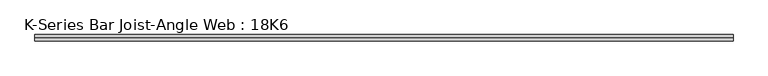
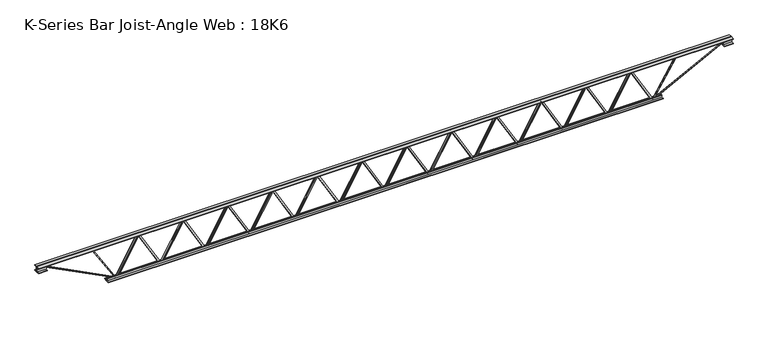
"""IFC4 building model written with IfcOpenShell, lengths in millimetres: beam geometry, K-Series Bar Joist-Angle Web : 18K6."""

import ifcopenshell
import ifcopenshell.guid

model = None  # the IFC model being written
_history = None  # IfcOwnerHistory: only IFC2X3 demands one
_inside = {}  # id of a spatial element -> (the spatial element, [elements in it])
_under = {}  # id of a project, library or spatial element -> (it, [spatial elements below it])
_declared = {}  # id of a project -> (the project, [libraries it declares])
_typed = {}  # id of a type object -> (the type object, [elements of that type])
_made_of = {}  # id of a material, layer set ... -> (it, [elements and type objects made of it])


def new_model(schema):
    """Start an empty IFC model of exactly this schema.

    Asked for "IFC4X3", IfcOpenShell would pick the latest addendum, in which some entities
    have other attributes; the version numbers below select the first issue.
    IFC2X3 requires an IfcOwnerHistory on every rooted entity: one is made here for all.
    """
    global model, _history
    if schema == "IFC4X3":
        model = ifcopenshell.file(schema_version=(4, 3, 0, 0))
    else:
        model = ifcopenshell.file(schema=schema)
    _inside.clear()
    _under.clear()
    _declared.clear()
    _typed.clear()
    _made_of.clear()
    _history = None
    if model.schema == "IFC2X3":
        org = make("IfcOrganization", Name="unknown")
        user = make(
            "IfcPersonAndOrganization",
            ThePerson=make("IfcPerson", FamilyName="unknown"),
            TheOrganization=org,
        )
        app = make(
            "IfcApplication",
            ApplicationDeveloper=org,
            Version="unknown",
            ApplicationFullName="unknown",
            ApplicationIdentifier="unknown",
        )
        _history = make(
            "IfcOwnerHistory",
            OwningUser=user,
            OwningApplication=app,
            ChangeAction="ADDED",
            CreationDate=0,
        )
    return model


def make(cls, **values):
    """One entity of the class cls with the attributes given. An attribute that is None is left unset."""
    return model.create_entity(
        cls, **{name: value for name, value in values.items() if value is not None}
    )


def rooted(cls, **values):
    """An entity with a GlobalId (a new one), such as an element, a storey or a relation."""
    return make(cls, GlobalId=ifcopenshell.guid.new(), OwnerHistory=_history, **values)


def si_unit(unit_type, name, prefix=None):
    """IfcSIUnit, for example si_unit("LENGTHUNIT", "METRE", prefix="MILLI")."""
    return make("IfcSIUnit", UnitType=unit_type, Prefix=prefix, Name=name)


def assignment(units):
    """IfcUnitAssignment: the units of a project."""
    return None if units is None else make("IfcUnitAssignment", Units=units)


def point(xyz):
    """IfcCartesianPoint."""
    return None if xyz is None else make("IfcCartesianPoint", Coordinates=xyz)


def direction(xyz):
    """IfcDirection."""
    return None if xyz is None else make("IfcDirection", DirectionRatios=xyz)


def frame(location, z_axis=None, x_axis=None):
    """IfcAxis2Placement3D, a coordinate frame: its origin and axes. An axis left out is left unset."""
    return make(
        "IfcAxis2Placement3D",
        Location=point(location),
        Axis=direction(z_axis),
        RefDirection=direction(x_axis),
    )


def origin():
    """The frame at (0, 0, 0) with its axes left unset."""
    return frame((0.0, 0.0, 0.0))


def place(relative_to, where):
    """IfcLocalPlacement: puts the frame where relative to a parent placement (None: the world)."""
    return make(
        "IfcLocalPlacement", PlacementRelTo=relative_to, RelativePlacement=where
    )


def context(
    kind, dimensions, precision=None, world=None, true_north=None, identifier=None
):
    """IfcGeometricRepresentationContext, for example the 3D "Model" context."""
    return make(
        "IfcGeometricRepresentationContext",
        ContextIdentifier=identifier,
        ContextType=kind,
        CoordinateSpaceDimension=dimensions,
        Precision=precision,
        WorldCoordinateSystem=world,
        TrueNorth=true_north,
    )


def project(units=None, contexts=None):
    """IfcProject with its units and contexts."""
    return rooted(
        "IfcProject",
        Name="project",
        RepresentationContexts=contexts,
        UnitsInContext=assignment(units),
    )


def spatial(cls, under=None, at=None, **own):
    """A site, building, storey or space (cls), placed at a placement, below another one or the project."""
    s = rooted(cls, ObjectPlacement=at, **own)
    if under is not None:
        _under.setdefault(under.id(), (under, []))[1].append(s)
    return s


def polyline(points):
    """IfcPolyline through the points."""
    return make("IfcPolyline", Points=[point(p) for p in points])


def outline(outer, holes=None, kind="AREA"):
    """IfcArbitraryClosedProfileDef: a profile drawn as a closed curve; with holes, ...WithVoids."""
    if holes is None:
        return make("IfcArbitraryClosedProfileDef", ProfileType=kind, OuterCurve=outer)
    return make(
        "IfcArbitraryProfileDefWithVoids",
        ProfileType=kind,
        OuterCurve=outer,
        InnerCurves=holes,
    )


def extrude(swept, where, along, depth):
    """IfcExtrudedAreaSolid: the profile swept, set in the frame where, extruded along a direction by depth."""
    return make(
        "IfcExtrudedAreaSolid",
        SweptArea=swept,
        Position=where,
        ExtrudedDirection=direction(along),
        Depth=depth,
    )


def faces_of(points, faces, orient=None, outer=None):
    """IfcFace entities. A face is a list of loops; a loop is a list of indices into points, from 0.

    orient and outer hold one flag for each loop. By default every Orientation is true, the
    first loop of a face is its IfcFaceOuterBound and the others are IfcFaceBound.
    """
    made = []
    for i, loops in enumerate(faces):
        bounds = []
        for j, loop in enumerate(loops):
            is_outer = j == 0 if outer is None else outer[i][j]
            bounds.append(
                make(
                    "IfcFaceOuterBound" if is_outer else "IfcFaceBound",
                    Bound=make("IfcPolyLoop", Polygon=[points[k] for k in loop]),
                    Orientation=True if orient is None else orient[i][j],
                )
            )
        made.append(make("IfcFace", Bounds=bounds))
    return made


def faceted_brep(points, faces, orient=None, outer=None, voids=None):
    """IfcFacetedBrep: a solid bounded by flat faces; with voids (closed shells), ...WithVoids."""
    shared = [point(p) for p in points]
    hull = make("IfcClosedShell", CfsFaces=faces_of(shared, faces, orient, outer))
    if voids is None:
        return make("IfcFacetedBrep", Outer=hull)
    return make(
        "IfcFacetedBrepWithVoids",
        Outer=hull,
        Voids=[
            make(cls, CfsFaces=faces_of(shared, fs, o, b)) for cls, fs, o, b in voids
        ],
    )


def shape(context_of_items, identifier, shape_type, items):
    """IfcShapeRepresentation: the items that make up one representation, for example the "Body"."""
    return make(
        "IfcShapeRepresentation",
        ContextOfItems=context_of_items,
        RepresentationIdentifier=identifier,
        RepresentationType=shape_type,
        Items=items,
    )


def source(mapping_origin, context_of_items, identifier, shape_type, items):
    """IfcRepresentationMap: a shape defined once, which mapped items show again and again."""
    return make(
        "IfcRepresentationMap",
        MappingOrigin=mapping_origin,
        MappedRepresentation=shape(context_of_items, identifier, shape_type, items),
    )


def transform(
    local_origin,
    x_axis=None,
    y_axis=None,
    z_axis=None,
    scale=None,
    scale2=None,
    scale3=None,
    uniform=True,
):
    """IfcCartesianTransformationOperator3D, or its non-uniform kind. x_axis, y_axis, z_axis: its Axis1, 2, 3."""
    if uniform:
        return make(
            "IfcCartesianTransformationOperator3D",
            Axis1=direction(x_axis),
            Axis2=direction(y_axis),
            LocalOrigin=point(local_origin),
            Scale=scale,
            Axis3=direction(z_axis),
        )
    return make(
        "IfcCartesianTransformationOperator3DnonUniform",
        Axis1=direction(x_axis),
        Axis2=direction(y_axis),
        LocalOrigin=point(local_origin),
        Scale=scale,
        Axis3=direction(z_axis),
        Scale2=scale2,
        Scale3=scale3,
    )


def mapped(mapping_source, mapping_target):
    """IfcMappedItem: shows the shape of a source again, moved by a transform."""
    return make(
        "IfcMappedItem", MappingSource=mapping_source, MappingTarget=mapping_target
    )


def made_of(thing, what):
    """Note that an element or type object is made of a material, layer set ...; save() writes the relation."""
    if what is not None:
        _made_of.setdefault(what.id(), (what, []))[1].append(thing)
    return thing


def element(
    cls,
    number,
    at=None,
    inside=None,
    cuts=None,
    type_object=None,
    material=None,
    context=None,
    identifier="Body",
    shape_type=None,
    held_by="IfcProductDefinitionShape",
    body=None,
    shapes=None,
    **own,
):
    """One element of the class cls, such as IfcWall. Its Tag is "e" and its number.

    at: its placement. inside: the storey or other place that contains it. cuts: it is an
    opening in that element (IfcRelVoidsElement). A single representation is given by context,
    identifier, shape_type and body (its items); several are given by shapes. held_by: the class
    of the entity that holds the representations. save() writes the other relations.
    """
    e = rooted(cls, Tag="e%d" % number, ObjectPlacement=at, **own)
    if body is not None:
        shapes = [shape(context, identifier, shape_type, body)]
    if shapes is not None:
        e.Representation = make(held_by, Representations=shapes)
    if inside is not None:
        _inside.setdefault(inside.id(), (inside, []))[1].append(e)
    if cuts is not None:
        rooted(
            "IfcRelVoidsElement", RelatingBuildingElement=cuts, RelatedOpeningElement=e
        )
    if type_object is not None:
        _typed.setdefault(type_object.id(), (type_object, []))[1].append(e)
    return made_of(e, material)


def aggregate(whole, parts):
    """IfcRelAggregates: a whole, such as a stair, and the parts it consists of."""
    return rooted("IfcRelAggregates", RelatingObject=whole, RelatedObjects=parts)


def save(model, path):
    """Write the relations noted so far, then the file.

    IfcRelAggregates (storeys below a building ...), IfcRelContainedInSpatialStructure (elements
    in a storey), IfcRelDefinesByType, IfcRelAssociatesMaterial and IfcRelDeclares: one each for
    every whole, place, type object, material and project.
    """
    for whole, parts in _under.values():
        aggregate(whole, parts)
    for where, things in _inside.values():
        rooted(
            "IfcRelContainedInSpatialStructure",
            RelatedElements=things,
            RelatingStructure=where,
        )
    for kind, things in _typed.values():
        rooted("IfcRelDefinesByType", RelatedObjects=things, RelatingType=kind)
    for what, things in _made_of.values():
        rooted("IfcRelAssociatesMaterial", RelatedObjects=things, RelatingMaterial=what)
    for by, libraries in _declared.values():
        rooted("IfcRelDeclares", RelatingContext=by, RelatedDefinitions=libraries)
    model.write(path)


def k_series_bar_joist_angle_web_18k6_3c0e9ca1(model_context):
    return source(origin(), model_context, "Body", "SolidModel", [
        extrude(outline(polyline([(-4.7625, 4.7625), (-4.7625, 0.0), (-17.4625, 0.0), (-17.4625, 4.7625), (-4.7625, 4.7625)])), frame((2569.6314568, 0.0, -190.5), z_axis=(-0.49721205379434447, 0.0, 0.8676290529722999), x_axis=(0.0, -1.0, 0.0)), (0.0, 0.0, 1.0), 439.1277571),
        extrude(outline(polyline([(-225.425, 2601.515625), (-206.375, 2601.515625), (-206.375, 2600.6853286), (225.425, 2353.2337661), (225.425, 2335.0140625), (206.375, 2335.0140625), (206.375, 2342.1943589), (-225.425, 2589.6459214), (-225.425, 2601.515625)])), frame((0.0, 0.0, 0.0), z_axis=(0.0, 1.0, 0.0), x_axis=(0.0, 0.0, 1.0)), (0.0, 0.0, 1.0), 4.7625),
        faceted_brep([(2081.2125, 0.0, -206.375), (2081.2125, 0.0, -225.425), (2081.2125, -4.7625, -225.425), (2081.2125, -4.7625, -206.375), (2082.0427964, 0.0, -206.375), (2329.4943589, 0.0, 225.425), (2347.7140625, 0.0, 225.425), (2347.7140625, 0.0, 206.375), (2340.5337661, 0.0, 206.375), (2093.0822036, 0.0, -225.425), (2093.0822036, -4.7625, -225.425), (2113.0966682, -4.7625, -190.5), (2108.9645848, -4.7625, -188.1320276), (2327.3041988, -4.7625, 192.8679724), (2331.4362822, -4.7625, 190.5), (2340.5337661, -4.7625, 206.375), (2347.7140625, -4.7625, 206.375), (2347.7140625, -4.7625, 225.425), (2329.4943589, -4.7625, 225.425), (2082.0427964, -4.7625, -206.375), (2331.4362822, -17.4625, 190.5), (2113.0966682, -17.4625, -190.5), (2108.9645848, -17.4625, -188.1320276), (2327.3041988, -17.4625, 192.8679724)], [[[0, 1, 2, 3]], [[1, 0, 4, 5, 6, 7, 8, 9]], [[2, 1, 9, 10]], [[3, 2, 10, 11, 12, 13, 14, 15, 16, 17, 18, 19]], [[0, 3, 19, 4]], [[9, 8, 15, 14, 20, 21, 11, 10]], [[5, 4, 19, 18]], [[7, 6, 17, 16]], [[8, 7, 16, 15]], [[6, 5, 18, 17]], [[21, 22, 12, 11]], [[20, 14, 13, 23]], [[22, 21, 20, 23]], [[12, 22, 23, 13]]]),
        extrude(outline(polyline([(-4.7625, 4.7625), (-4.7625, 0.0), (-17.4625, 0.0), (-17.4625, 4.7625), (-4.7625, 4.7625)])), frame((2049.3283318, 0.0, -190.5), z_axis=(-0.49721205379434447, 0.0, 0.8676290529722999), x_axis=(0.0, -1.0, 0.0)), (0.0, 0.0, 1.0), 439.1277571),
        extrude(outline(polyline([(-225.425, 2081.2125), (-206.375, 2081.2125), (-206.375, 2080.3822036), (225.425, 1832.9306411), (225.425, 1814.7109375), (206.375, 1814.7109375), (206.375, 1821.8912339), (-225.425, 2069.3427964), (-225.425, 2081.2125)])), frame((0.0, 0.0, 0.0), z_axis=(0.0, 1.0, 0.0), x_axis=(0.0, 0.0, 1.0)), (0.0, 0.0, 1.0), 4.7625),
        faceted_brep([(1560.909375, 0.0, -206.375), (1560.909375, 0.0, -225.425), (1560.909375, -4.7625, -225.425), (1560.909375, -4.7625, -206.375), (1561.7396714, 0.0, -206.375), (1809.1912339, 0.0, 225.425), (1827.4109375, 0.0, 225.425), (1827.4109375, 0.0, 206.375), (1820.2306411, 0.0, 206.375), (1572.7790786, 0.0, -225.425), (1572.7790786, -4.7625, -225.425), (1592.7935432, -4.7625, -190.5), (1588.6614598, -4.7625, -188.1320276), (1807.0010738, -4.7625, 192.8679724), (1811.1331572, -4.7625, 190.5), (1820.2306411, -4.7625, 206.375), (1827.4109375, -4.7625, 206.375), (1827.4109375, -4.7625, 225.425), (1809.1912339, -4.7625, 225.425), (1561.7396714, -4.7625, -206.375), (1811.1331572, -17.4625, 190.5), (1592.7935432, -17.4625, -190.5), (1588.6614598, -17.4625, -188.1320276), (1807.0010738, -17.4625, 192.8679724)], [[[0, 1, 2, 3]], [[1, 0, 4, 5, 6, 7, 8, 9]], [[2, 1, 9, 10]], [[3, 2, 10, 11, 12, 13, 14, 15, 16, 17, 18, 19]], [[0, 3, 19, 4]], [[9, 8, 15, 14, 20, 21, 11, 10]], [[5, 4, 19, 18]], [[7, 6, 17, 16]], [[8, 7, 16, 15]], [[6, 5, 18, 17]], [[21, 22, 12, 11]], [[20, 14, 13, 23]], [[22, 21, 20, 23]], [[12, 22, 23, 13]]]),
        extrude(outline(polyline([(-4.7625, 4.7625), (-4.7625, 0.0), (-17.4625, 0.0), (-17.4625, 4.7625), (-4.7625, 4.7625)])), frame((1529.0252068, 0.0, -190.5), z_axis=(-0.49721205379434447, 0.0, 0.8676290529722999), x_axis=(0.0, -1.0, 0.0)), (0.0, 0.0, 1.0), 439.1277571),
        extrude(outline(polyline([(-225.425, 1560.909375), (-206.375, 1560.909375), (-206.375, 1560.0790786), (225.425, 1312.6275161), (225.425, 1294.4078125), (206.375, 1294.4078125), (206.375, 1301.5881089), (-225.425, 1549.0396714), (-225.425, 1560.909375)])), frame((0.0, 0.0, 0.0), z_axis=(0.0, 1.0, 0.0), x_axis=(0.0, 0.0, 1.0)), (0.0, 0.0, 1.0), 4.7625),
        faceted_brep([(1040.60625, 0.0, -206.375), (1040.60625, 0.0, -225.425), (1040.60625, -4.7625, -225.425), (1040.60625, -4.7625, -206.375), (1041.4365464, 0.0, -206.375), (1288.8881089, 0.0, 225.425), (1307.1078125, 0.0, 225.425), (1307.1078125, 0.0, 206.375), (1299.9275161, 0.0, 206.375), (1052.4759536, 0.0, -225.425), (1052.4759536, -4.7625, -225.425), (1072.4904182, -4.7625, -190.5), (1068.3583348, -4.7625, -188.1320276), (1286.6979488, -4.7625, 192.8679724), (1290.8300322, -4.7625, 190.5), (1299.9275161, -4.7625, 206.375), (1307.1078125, -4.7625, 206.375), (1307.1078125, -4.7625, 225.425), (1288.8881089, -4.7625, 225.425), (1041.4365464, -4.7625, -206.375), (1290.8300322, -17.4625, 190.5), (1072.4904182, -17.4625, -190.5), (1068.3583348, -17.4625, -188.1320276), (1286.6979488, -17.4625, 192.8679724)], [[[0, 1, 2, 3]], [[1, 0, 4, 5, 6, 7, 8, 9]], [[2, 1, 9, 10]], [[3, 2, 10, 11, 12, 13, 14, 15, 16, 17, 18, 19]], [[0, 3, 19, 4]], [[9, 8, 15, 14, 20, 21, 11, 10]], [[5, 4, 19, 18]], [[7, 6, 17, 16]], [[8, 7, 16, 15]], [[6, 5, 18, 17]], [[21, 22, 12, 11]], [[20, 14, 13, 23]], [[22, 21, 20, 23]], [[12, 22, 23, 13]]]),
        extrude(outline(polyline([(-4.7625, 4.7625), (-4.7625, 0.0), (-17.4625, 0.0), (-17.4625, 4.7625), (-4.7625, 4.7625)])), frame((1008.7220818, 0.0, -190.5), z_axis=(-0.49721205379434447, 0.0, 0.8676290529722999), x_axis=(0.0, -1.0, 0.0)), (0.0, 0.0, 1.0), 439.1277571),
        extrude(outline(polyline([(-225.425, 1040.60625), (-206.375, 1040.60625), (-206.375, 1039.7759536), (225.425, 792.3243911), (225.425, 774.1046875), (206.375, 774.1046875), (206.375, 781.2849839), (-225.425, 1028.7365464), (-225.425, 1040.60625)])), frame((0.0, 0.0, 0.0), z_axis=(0.0, 1.0, 0.0), x_axis=(0.0, 0.0, 1.0)), (0.0, 0.0, 1.0), 4.7625),
        faceted_brep([(520.303125, 0.0, -206.375), (520.303125, 0.0, -225.425), (520.303125, -4.7625, -225.425), (520.303125, -4.7625, -206.375), (521.1334214, 0.0, -206.375), (768.5849839, 0.0, 225.425), (786.8046875, 0.0, 225.425), (786.8046875, 0.0, 206.375), (779.6243911, 0.0, 206.375), (532.1728286, 0.0, -225.425), (532.1728286, -4.7625, -225.425), (552.1872932, -4.7625, -190.5), (548.0552098, -4.7625, -188.1320276), (766.3948238, -4.7625, 192.8679724), (770.5269072, -4.7625, 190.5), (779.6243911, -4.7625, 206.375), (786.8046875, -4.7625, 206.375), (786.8046875, -4.7625, 225.425), (768.5849839, -4.7625, 225.425), (521.1334214, -4.7625, -206.375), (770.5269072, -17.4625, 190.5), (552.1872932, -17.4625, -190.5), (548.0552098, -17.4625, -188.1320276), (766.3948238, -17.4625, 192.8679724)], [[[0, 1, 2, 3]], [[1, 0, 4, 5, 6, 7, 8, 9]], [[2, 1, 9, 10]], [[3, 2, 10, 11, 12, 13, 14, 15, 16, 17, 18, 19]], [[0, 3, 19, 4]], [[9, 8, 15, 14, 20, 21, 11, 10]], [[5, 4, 19, 18]], [[7, 6, 17, 16]], [[8, 7, 16, 15]], [[6, 5, 18, 17]], [[21, 22, 12, 11]], [[20, 14, 13, 23]], [[22, 21, 20, 23]], [[12, 22, 23, 13]]]),
        extrude(outline(polyline([(-4.7625, 4.7625), (-4.7625, 0.0), (-17.4625, 0.0), (-17.4625, 4.7625), (-4.7625, 4.7625)])), frame((488.4189568, 0.0, -190.5), z_axis=(-0.49721205379434447, 0.0, 0.8676290529722999), x_axis=(0.0, -1.0, 0.0)), (0.0, 0.0, 1.0), 439.1277571),
        extrude(outline(polyline([(-225.425, 520.303125), (-206.375, 520.303125), (-206.375, 519.4728286), (225.425, 272.0212661), (225.425, 253.8015625), (206.375, 253.8015625), (206.375, 260.9818589), (-225.425, 508.4334214), (-225.425, 520.303125)])), frame((0.0, 0.0, 0.0), z_axis=(0.0, 1.0, 0.0), x_axis=(0.0, 0.0, 1.0)), (0.0, 0.0, 1.0), 4.7625),
        faceted_brep([(0.0, 0.0, -206.375), (0.0, 0.0, -225.425), (0.0, -4.7625, -225.425), (0.0, -4.7625, -206.375), (0.8302964, 0.0, -206.375), (248.2818589, 0.0, 225.425), (266.5015625, 0.0, 225.425), (266.5015625, 0.0, 206.375), (259.3212661, 0.0, 206.375), (11.8697036, 0.0, -225.425), (11.8697036, -4.7625, -225.425), (31.8841682, -4.7625, -190.5), (27.7520848, -4.7625, -188.1320276), (246.0916988, -4.7625, 192.8679724), (250.2237822, -4.7625, 190.5), (259.3212661, -4.7625, 206.375), (266.5015625, -4.7625, 206.375), (266.5015625, -4.7625, 225.425), (248.2818589, -4.7625, 225.425), (0.8302964, -4.7625, -206.375), (250.2237822, -17.4625, 190.5), (31.8841682, -17.4625, -190.5), (27.7520848, -17.4625, -188.1320276), (246.0916988, -17.4625, 192.8679724)], [[[0, 1, 2, 3]], [[1, 0, 4, 5, 6, 7, 8, 9]], [[2, 1, 9, 10]], [[3, 2, 10, 11, 12, 13, 14, 15, 16, 17, 18, 19]], [[0, 3, 19, 4]], [[9, 8, 15, 14, 20, 21, 11, 10]], [[5, 4, 19, 18]], [[7, 6, 17, 16]], [[8, 7, 16, 15]], [[6, 5, 18, 17]], [[21, 22, 12, 11]], [[20, 14, 13, 23]], [[22, 21, 20, 23]], [[12, 22, 23, 13]]]),
        extrude(outline(polyline([(-4.7625, 4.7625), (-4.7625, 0.0), (-17.4625, 0.0), (-17.4625, 4.7625), (-4.7625, 4.7625)])), frame((-31.8841682, 0.0, -190.5), z_axis=(-0.49721205379434447, 0.0, 0.8676290529722999), x_axis=(0.0, -1.0, 0.0)), (0.0, 0.0, 1.0), 439.1277571),
        extrude(outline(polyline([(-225.425, 0.0), (-206.375, 0.0), (-206.375, -0.8302964), (225.425, -248.2818589), (225.425, -266.5015625), (206.375, -266.5015625), (206.375, -259.3212661), (-225.425, -11.8697036), (-225.425, 0.0)])), frame((0.0, 0.0, 0.0), z_axis=(0.0, 1.0, 0.0), x_axis=(0.0, 0.0, 1.0)), (0.0, 0.0, 1.0), 4.7625),
        faceted_brep([(-520.303125, 0.0, -206.375), (-520.303125, 0.0, -225.425), (-520.303125, -4.7625, -225.425), (-520.303125, -4.7625, -206.375), (-519.4728286, 0.0, -206.375), (-272.0212661, 0.0, 225.425), (-253.8015625, 0.0, 225.425), (-253.8015625, 0.0, 206.375), (-260.9818589, 0.0, 206.375), (-508.4334214, 0.0, -225.425), (-508.4334214, -4.7625, -225.425), (-488.4189568, -4.7625, -190.5), (-492.5510402, -4.7625, -188.1320276), (-274.2114262, -4.7625, 192.8679724), (-270.0793428, -4.7625, 190.5), (-260.9818589, -4.7625, 206.375), (-253.8015625, -4.7625, 206.375), (-253.8015625, -4.7625, 225.425), (-272.0212661, -4.7625, 225.425), (-519.4728286, -4.7625, -206.375), (-270.0793428, -17.4625, 190.5), (-488.4189568, -17.4625, -190.5), (-492.5510402, -17.4625, -188.1320276), (-274.2114262, -17.4625, 192.8679724)], [[[0, 1, 2, 3]], [[1, 0, 4, 5, 6, 7, 8, 9]], [[2, 1, 9, 10]], [[3, 2, 10, 11, 12, 13, 14, 15, 16, 17, 18, 19]], [[0, 3, 19, 4]], [[9, 8, 15, 14, 20, 21, 11, 10]], [[5, 4, 19, 18]], [[7, 6, 17, 16]], [[8, 7, 16, 15]], [[6, 5, 18, 17]], [[21, 22, 12, 11]], [[20, 14, 13, 23]], [[22, 21, 20, 23]], [[12, 22, 23, 13]]]),
        extrude(outline(polyline([(-4.7625, 4.7625), (-4.7625, 0.0), (-17.4625, 0.0), (-17.4625, 4.7625), (-4.7625, 4.7625)])), frame((-552.1872932, 0.0, -190.5), z_axis=(-0.49721205379434447, 0.0, 0.8676290529722999), x_axis=(0.0, -1.0, 0.0)), (0.0, 0.0, 1.0), 439.1277571),
        extrude(outline(polyline([(-225.425, -520.303125), (-206.375, -520.303125), (-206.375, -521.1334214), (225.425, -768.5849839), (225.425, -786.8046875), (206.375, -786.8046875), (206.375, -779.6243911), (-225.425, -532.1728286), (-225.425, -520.303125)])), frame((0.0, 0.0, 0.0), z_axis=(0.0, 1.0, 0.0), x_axis=(0.0, 0.0, 1.0)), (0.0, 0.0, 1.0), 4.7625),
        faceted_brep([(-1040.60625, 0.0, -206.375), (-1040.60625, 0.0, -225.425), (-1040.60625, -4.7625, -225.425), (-1040.60625, -4.7625, -206.375), (-1039.7759536, 0.0, -206.375), (-792.3243911, 0.0, 225.425), (-774.1046875, 0.0, 225.425), (-774.1046875, 0.0, 206.375), (-781.2849839, 0.0, 206.375), (-1028.7365464, 0.0, -225.425), (-1028.7365464, -4.7625, -225.425), (-1008.7220818, -4.7625, -190.5), (-1012.8541652, -4.7625, -188.1320276), (-794.5145512, -4.7625, 192.8679724), (-790.3824678, -4.7625, 190.5), (-781.2849839, -4.7625, 206.375), (-774.1046875, -4.7625, 206.375), (-774.1046875, -4.7625, 225.425), (-792.3243911, -4.7625, 225.425), (-1039.7759536, -4.7625, -206.375), (-790.3824678, -17.4625, 190.5), (-1008.7220818, -17.4625, -190.5), (-1012.8541652, -17.4625, -188.1320276), (-794.5145512, -17.4625, 192.8679724)], [[[0, 1, 2, 3]], [[1, 0, 4, 5, 6, 7, 8, 9]], [[2, 1, 9, 10]], [[3, 2, 10, 11, 12, 13, 14, 15, 16, 17, 18, 19]], [[0, 3, 19, 4]], [[9, 8, 15, 14, 20, 21, 11, 10]], [[5, 4, 19, 18]], [[7, 6, 17, 16]], [[8, 7, 16, 15]], [[6, 5, 18, 17]], [[21, 22, 12, 11]], [[20, 14, 13, 23]], [[22, 21, 20, 23]], [[12, 22, 23, 13]]]),
        extrude(outline(polyline([(-4.7625, 4.7625), (-4.7625, 0.0), (-17.4625, 0.0), (-17.4625, 4.7625), (-4.7625, 4.7625)])), frame((-1072.4904182, 0.0, -190.5), z_axis=(-0.49721205379434447, 0.0, 0.8676290529722999), x_axis=(0.0, -1.0, 0.0)), (0.0, 0.0, 1.0), 439.1277571),
        extrude(outline(polyline([(-225.425, -1040.60625), (-206.375, -1040.60625), (-206.375, -1041.4365464), (225.425, -1288.8881089), (225.425, -1307.1078125), (206.375, -1307.1078125), (206.375, -1299.9275161), (-225.425, -1052.4759536), (-225.425, -1040.60625)])), frame((0.0, 0.0, 0.0), z_axis=(0.0, 1.0, 0.0), x_axis=(0.0, 0.0, 1.0)), (0.0, 0.0, 1.0), 4.7625),
        faceted_brep([(-1560.909375, 0.0, -206.375), (-1560.909375, 0.0, -225.425), (-1560.909375, -4.7625, -225.425), (-1560.909375, -4.7625, -206.375), (-1560.0790786, 0.0, -206.375), (-1312.6275161, 0.0, 225.425), (-1294.4078125, 0.0, 225.425), (-1294.4078125, 0.0, 206.375), (-1301.5881089, 0.0, 206.375), (-1549.0396714, 0.0, -225.425), (-1549.0396714, -4.7625, -225.425), (-1529.0252068, -4.7625, -190.5), (-1533.1572902, -4.7625, -188.1320276), (-1314.8176762, -4.7625, 192.8679724), (-1310.6855928, -4.7625, 190.5), (-1301.5881089, -4.7625, 206.375), (-1294.4078125, -4.7625, 206.375), (-1294.4078125, -4.7625, 225.425), (-1312.6275161, -4.7625, 225.425), (-1560.0790786, -4.7625, -206.375), (-1310.6855928, -17.4625, 190.5), (-1529.0252068, -17.4625, -190.5), (-1533.1572902, -17.4625, -188.1320276), (-1314.8176762, -17.4625, 192.8679724)], [[[0, 1, 2, 3]], [[1, 0, 4, 5, 6, 7, 8, 9]], [[2, 1, 9, 10]], [[3, 2, 10, 11, 12, 13, 14, 15, 16, 17, 18, 19]], [[0, 3, 19, 4]], [[9, 8, 15, 14, 20, 21, 11, 10]], [[5, 4, 19, 18]], [[7, 6, 17, 16]], [[8, 7, 16, 15]], [[6, 5, 18, 17]], [[21, 22, 12, 11]], [[20, 14, 13, 23]], [[22, 21, 20, 23]], [[12, 22, 23, 13]]]),
        extrude(outline(polyline([(-4.7625, 4.7625), (-4.7625, 0.0), (-17.4625, 0.0), (-17.4625, 4.7625), (-4.7625, 4.7625)])), frame((-1592.7935432, 0.0, -190.5), z_axis=(-0.49721205379434447, 0.0, 0.8676290529722999), x_axis=(0.0, -1.0, 0.0)), (0.0, 0.0, 1.0), 439.1277571),
        extrude(outline(polyline([(-225.425, -1560.909375), (-206.375, -1560.909375), (-206.375, -1561.7396714), (225.425, -1809.1912339), (225.425, -1827.4109375), (206.375, -1827.4109375), (206.375, -1820.2306411), (-225.425, -1572.7790786), (-225.425, -1560.909375)])), frame((0.0, 0.0, 0.0), z_axis=(0.0, 1.0, 0.0), x_axis=(0.0, 0.0, 1.0)), (0.0, 0.0, 1.0), 4.7625),
        faceted_brep([(-2081.2125, 0.0, -206.375), (-2081.2125, 0.0, -225.425), (-2081.2125, -4.7625, -225.425), (-2081.2125, -4.7625, -206.375), (-2080.3822036, 0.0, -206.375), (-1832.9306411, 0.0, 225.425), (-1814.7109375, 0.0, 225.425), (-1814.7109375, 0.0, 206.375), (-1821.8912339, 0.0, 206.375), (-2069.3427964, 0.0, -225.425), (-2069.3427964, -4.7625, -225.425), (-2049.3283318, -4.7625, -190.5), (-2053.4604152, -4.7625, -188.1320276), (-1835.1208012, -4.7625, 192.8679724), (-1830.9887178, -4.7625, 190.5), (-1821.8912339, -4.7625, 206.375), (-1814.7109375, -4.7625, 206.375), (-1814.7109375, -4.7625, 225.425), (-1832.9306411, -4.7625, 225.425), (-2080.3822036, -4.7625, -206.375), (-1830.9887178, -17.4625, 190.5), (-2049.3283318, -17.4625, -190.5), (-2053.4604152, -17.4625, -188.1320276), (-1835.1208012, -17.4625, 192.8679724)], [[[0, 1, 2, 3]], [[1, 0, 4, 5, 6, 7, 8, 9]], [[2, 1, 9, 10]], [[3, 2, 10, 11, 12, 13, 14, 15, 16, 17, 18, 19]], [[0, 3, 19, 4]], [[9, 8, 15, 14, 20, 21, 11, 10]], [[5, 4, 19, 18]], [[7, 6, 17, 16]], [[8, 7, 16, 15]], [[6, 5, 18, 17]], [[21, 22, 12, 11]], [[20, 14, 13, 23]], [[22, 21, 20, 23]], [[12, 22, 23, 13]]]),
        extrude(outline(polyline([(-4.7625, 4.7625), (-4.7625, 0.0), (-17.4625, 0.0), (-17.4625, 4.7625), (-4.7625, 4.7625)])), frame((-2113.0966682, 0.0, -190.5), z_axis=(-0.49721205379434447, 0.0, 0.8676290529722999), x_axis=(0.0, -1.0, 0.0)), (0.0, 0.0, 1.0), 439.1277571),
        extrude(outline(polyline([(-225.425, -2081.2125), (-206.375, -2081.2125), (-206.375, -2082.0427964), (225.425, -2329.4943589), (225.425, -2347.7140625), (206.375, -2347.7140625), (206.375, -2340.5337661), (-225.425, -2093.0822036), (-225.425, -2081.2125)])), frame((0.0, 0.0, 0.0), z_axis=(0.0, 1.0, 0.0), x_axis=(0.0, 0.0, 1.0)), (0.0, 0.0, 1.0), 4.7625),
        faceted_brep([(-2601.515625, 0.0, -206.375), (-2601.515625, 0.0, -225.425), (-2601.515625, -4.7625, -225.425), (-2601.515625, -4.7625, -206.375), (-2600.6853286, 0.0, -206.375), (-2353.2337661, 0.0, 225.425), (-2335.0140625, 0.0, 225.425), (-2335.0140625, 0.0, 206.375), (-2342.1943589, 0.0, 206.375), (-2589.6459214, 0.0, -225.425), (-2589.6459214, -4.7625, -225.425), (-2569.6314568, -4.7625, -190.5), (-2573.7635402, -4.7625, -188.1320276), (-2355.4239262, -4.7625, 192.8679724), (-2351.2918428, -4.7625, 190.5), (-2342.1943589, -4.7625, 206.375), (-2335.0140625, -4.7625, 206.375), (-2335.0140625, -4.7625, 225.425), (-2353.2337661, -4.7625, 225.425), (-2600.6853286, -4.7625, -206.375), (-2351.2918428, -17.4625, 190.5), (-2569.6314568, -17.4625, -190.5), (-2573.7635402, -17.4625, -188.1320276), (-2355.4239262, -17.4625, 192.8679724)], [[[0, 1, 2, 3]], [[1, 0, 4, 5, 6, 7, 8, 9]], [[2, 1, 9, 10]], [[3, 2, 10, 11, 12, 13, 14, 15, 16, 17, 18, 19]], [[0, 3, 19, 4]], [[9, 8, 15, 14, 20, 21, 11, 10]], [[5, 4, 19, 18]], [[7, 6, 17, 16]], [[8, 7, 16, 15]], [[6, 5, 18, 17]], [[21, 22, 12, 11]], [[20, 14, 13, 23]], [[22, 21, 20, 23]], [[12, 22, 23, 13]]]),
        extrude(outline(polyline([(-4.7625, 4.7625), (-4.7625, 0.0), (-17.4625, 0.0), (-17.4625, 4.7625), (-4.7625, 4.7625)])), frame((3089.9345818, 0.0, -190.5), z_axis=(-0.49721205379434447, 0.0, 0.8676290529722999), x_axis=(0.0, -1.0, 0.0)), (0.0, 0.0, 1.0), 439.1277571),
        extrude(outline(polyline([(-225.425, 3121.81875), (-206.375, 3121.81875), (-206.375, 3120.9884536), (225.425, 2873.5368911), (225.425, 2855.3171875), (206.375, 2855.3171875), (206.375, 2862.4974839), (-225.425, 3109.9490464), (-225.425, 3121.81875)])), frame((0.0, 0.0, 0.0), z_axis=(0.0, 1.0, 0.0), x_axis=(0.0, 0.0, 1.0)), (0.0, 0.0, 1.0), 4.7625),
        faceted_brep([(2601.515625, 0.0, -206.375), (2601.515625, 0.0, -225.425), (2601.515625, -4.7625, -225.425), (2601.515625, -4.7625, -206.375), (2602.3459214, 0.0, -206.375), (2849.7974839, 0.0, 225.425), (2868.0171875, 0.0, 225.425), (2868.0171875, 0.0, 206.375), (2860.8368911, 0.0, 206.375), (2613.3853286, 0.0, -225.425), (2613.3853286, -4.7625, -225.425), (2633.3997932, -4.7625, -190.5), (2629.2677098, -4.7625, -188.1320276), (2847.6073238, -4.7625, 192.8679724), (2851.7394072, -4.7625, 190.5), (2860.8368911, -4.7625, 206.375), (2868.0171875, -4.7625, 206.375), (2868.0171875, -4.7625, 225.425), (2849.7974839, -4.7625, 225.425), (2602.3459214, -4.7625, -206.375), (2851.7394072, -17.4625, 190.5), (2633.3997932, -17.4625, -190.5), (2629.2677098, -17.4625, -188.1320276), (2847.6073238, -17.4625, 192.8679724)], [[[0, 1, 2, 3]], [[1, 0, 4, 5, 6, 7, 8, 9]], [[2, 1, 9, 10]], [[3, 2, 10, 11, 12, 13, 14, 15, 16, 17, 18, 19]], [[0, 3, 19, 4]], [[9, 8, 15, 14, 20, 21, 11, 10]], [[5, 4, 19, 18]], [[7, 6, 17, 16]], [[8, 7, 16, 15]], [[6, 5, 18, 17]], [[21, 22, 12, 11]], [[20, 14, 13, 23]], [[22, 21, 20, 23]], [[12, 22, 23, 13]]]),
        extrude(outline(polyline([(-4.7625, 4.7625), (-4.7625, 0.0), (-17.4625, 0.0), (-17.4625, 4.7625), (-4.7625, 4.7625)])), frame((-2633.3997932, 0.0, -190.5), z_axis=(-0.49721205379434447, 0.0, 0.8676290529722999), x_axis=(0.0, -1.0, 0.0)), (0.0, 0.0, 1.0), 439.1277571),
        extrude(outline(polyline([(-225.425, -2601.515625), (-206.375, -2601.515625), (-206.375, -2602.3459214), (225.425, -2849.7974839), (225.425, -2868.0171875), (206.375, -2868.0171875), (206.375, -2860.8368911), (-225.425, -2613.3853286), (-225.425, -2601.515625)])), frame((0.0, 0.0, 0.0), z_axis=(0.0, 1.0, 0.0), x_axis=(0.0, 0.0, 1.0)), (0.0, 0.0, 1.0), 4.7625),
        faceted_brep([(-3121.81875, 0.0, -206.375), (-3121.81875, 0.0, -225.425), (-3121.81875, -4.7625, -225.425), (-3121.81875, -4.7625, -206.375), (-3120.9884536, 0.0, -206.375), (-2873.5368911, 0.0, 225.425), (-2855.3171875, 0.0, 225.425), (-2855.3171875, 0.0, 206.375), (-2862.4974839, 0.0, 206.375), (-3109.9490464, 0.0, -225.425), (-3109.9490464, -4.7625, -225.425), (-3089.9345818, -4.7625, -190.5), (-3094.0666652, -4.7625, -188.1320276), (-2875.7270512, -4.7625, 192.8679724), (-2871.5949678, -4.7625, 190.5), (-2862.4974839, -4.7625, 206.375), (-2855.3171875, -4.7625, 206.375), (-2855.3171875, -4.7625, 225.425), (-2873.5368911, -4.7625, 225.425), (-3120.9884536, -4.7625, -206.375), (-2871.5949678, -17.4625, 190.5), (-3089.9345818, -17.4625, -190.5), (-3094.0666652, -17.4625, -188.1320276), (-2875.7270512, -17.4625, 192.8679724)], [[[0, 1, 2, 3]], [[1, 0, 4, 5, 6, 7, 8, 9]], [[2, 1, 9, 10]], [[3, 2, 10, 11, 12, 13, 14, 15, 16, 17, 18, 19]], [[0, 3, 19, 4]], [[9, 8, 15, 14, 20, 21, 11, 10]], [[5, 4, 19, 18]], [[7, 6, 17, 16]], [[8, 7, 16, 15]], [[6, 5, 18, 17]], [[21, 22, 12, 11]], [[20, 14, 13, 23]], [[22, 21, 20, 23]], [[12, 22, 23, 13]]]),
        extrude(outline(polyline([(4.7625, 228.6), (36.5125, 228.6), (36.5125, 222.25), (11.1125, 222.25), (11.1125, 196.85), (4.7625, 196.85), (4.7625, 228.6)])), frame((-4036.21875, 0.0, 0.0), z_axis=(1.0, 0.0, 0.0), x_axis=(0.0, 1.0, 0.0)), (0.0, 0.0, 1.0), 8072.4375),
        extrude(outline(polyline([(-4.7625, 228.6), (-4.7625, 196.85), (-11.1125, 196.85), (-11.1125, 222.25), (-36.5125, 222.25), (-36.5125, 228.6), (-4.7625, 228.6)])), frame((-4036.21875, 0.0, 0.0), z_axis=(1.0, 0.0, 0.0), x_axis=(0.0, 1.0, 0.0)), (0.0, 0.0, 1.0), 8072.4375),
        extrude(outline(polyline([(-4.7625, 165.1), (-36.5125, 165.1), (-36.5125, 171.45), (-11.1125, 171.45), (-11.1125, 196.85), (-4.7625, 196.85), (-4.7625, 165.1)])), frame((-4036.21875, 0.0, 0.0), z_axis=(1.0, 0.0, 0.0), x_axis=(0.0, 1.0, 0.0)), (0.0, 0.0, 1.0), 101.6),
        extrude(outline(polyline([(36.5125, 165.1), (4.7625, 165.1), (4.7625, 196.85), (11.1125, 196.85), (11.1125, 171.45), (36.5125, 171.45), (36.5125, 165.1)])), frame((-4036.21875, 0.0, 0.0), z_axis=(1.0, 0.0, 0.0), x_axis=(0.0, 1.0, 0.0)), (0.0, 0.0, 1.0), 101.6),
        extrude(outline(polyline([(4.7625, 165.1), (4.7625, 196.85), (11.1125, 196.85), (11.1125, 171.45), (36.5125, 171.45), (36.5125, 165.1), (4.7625, 165.1)])), frame((3934.61875, 0.0, 0.0), z_axis=(1.0, 0.0, 0.0), x_axis=(0.0, 1.0, 0.0)), (0.0, 0.0, 1.0), 101.6),
        extrude(outline(polyline([(-4.7625, 165.1), (-36.5125, 165.1), (-36.5125, 171.45), (-11.1125, 171.45), (-11.1125, 196.85), (-4.7625, 196.85), (-4.7625, 165.1)])), frame((3934.61875, 0.0, 0.0), z_axis=(1.0, 0.0, 0.0), x_axis=(0.0, 1.0, 0.0)), (0.0, 0.0, 1.0), 101.6),
        extrude(outline(polyline([(4.7625, -228.6), (4.7625, -196.85), (11.1125, -196.85), (11.1125, -222.25), (36.5125, -222.25), (36.5125, -228.6), (4.7625, -228.6)])), frame((-3223.41875, 0.0, 0.0), z_axis=(1.0, 0.0, 0.0), x_axis=(0.0, 1.0, 0.0)), (0.0, 0.0, 1.0), 6446.8375),
        extrude(outline(polyline([(-4.7625, -228.6), (-36.5125, -228.6), (-36.5125, -222.25), (-11.1125, -222.25), (-11.1125, -196.85), (-4.7625, -196.85), (-4.7625, -228.6)])), frame((-3223.41875, 0.0, 0.0), z_axis=(1.0, 0.0, 0.0), x_axis=(0.0, 1.0, 0.0)), (0.0, 0.0, 1.0), 6446.8375),
        extrude(outline(polyline([(4.7625, 4.7625), (4.7625, -4.7625), (-4.7625, -4.7625), (-4.7625, 4.7625), (4.7625, 4.7625)])), frame((3121.81875, 0.0, -222.25), z_axis=(0.5273929031774145, 0.0, 0.8496215190766405), x_axis=(0.0, -1.0, 0.0)), (0.0, 0.0, 1.0), 493.2784665),
        extrude(outline(polyline([(4.7625, 4.7625), (4.7625, -4.7625), (-4.7625, -4.7625), (-4.7625, 4.7625), (4.7625, 4.7625)])), frame((-3121.81875, 0.0, -222.25), z_axis=(-0.5273929031773876, 0.0, 0.8496215190766573), x_axis=(0.0, -1.0, 0.0)), (0.0, 0.0, 1.0), 493.2784665),
        extrude(outline(polyline([(0.0, -9.525), (0.0, 0.0), (914.4881902, 0.0), (914.4881902, -9.525), (0.0, -9.525)])), frame((3936.801352, -4.7625, 192.6170749), z_axis=(-0.4582891331946217, 0.0, 0.8888031674086915), x_axis=(-0.8888031674086915, 0.0, -0.4582891331946217)), (0.0, 0.0, 1.0), 9.525),
        extrude(outline(polyline([(0.0, -9.525), (0.0, 0.0), (914.4881902, 0.0), (914.4881902, -9.525), (0.0, -9.525)])), frame((-3936.801352, 4.7625, 192.6170749), z_axis=(0.4582891331946199, 0.0, 0.8888031674086924), x_axis=(0.8888031674086924, 0.0, -0.4582891331946199)), (0.0, 0.0, 1.0), 9.525),
    ])


if __name__ == "__main__":
    model = new_model("IFC4")
    model_context = context("Model", 3, world=origin())
    ifc_project = project(units=[si_unit("LENGTHUNIT", "METRE", prefix="MILLI")], contexts=[model_context])
    site = spatial("IfcSite", under=ifc_project)
    building = spatial("IfcBuilding", under=site)
    placement = place(None, origin())
    k_series_bar_joist_angle_web_18k6_shape = k_series_bar_joist_angle_web_18k6_3c0e9ca1(model_context)
    element("IfcBeam", 1, ObjectType="K-Series Bar Joist-Angle Web : 18K6", at=placement, inside=building, context=model_context, shape_type="MappedRepresentation", body=[
        mapped(k_series_bar_joist_angle_web_18k6_shape, transform((0.0, 0.0, 0.0), x_axis=(1.0, 0.0, 0.0), y_axis=(0.0, 1.0, 0.0), z_axis=(0.0, 0.0, 1.0))),
    ])
    save(model, "model.ifc")
